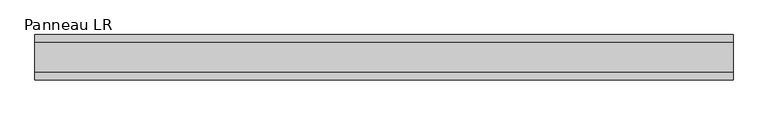
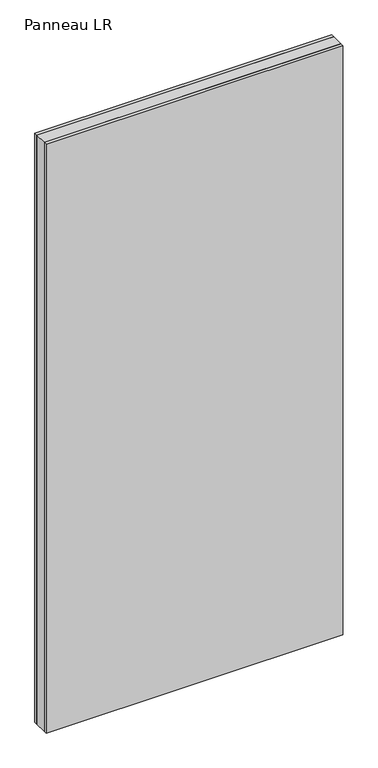
"""IFC4 building model written with IfcOpenShell, lengths in millimetres: plate geometry, Panneau LR."""

from ifc_helpers import new_model, si_unit, origin, origin_with_axes, place, context, project, spatial, polyline, outline, extrude, source, transform, mapped, element, save


def panneau_lr_e50d5251(model_context):
    return source(origin(), model_context, "Body", "SweptSolid", [
        extrude(outline(polyline([(693.378037, 29.0), (693.378037, -29.0), (-693.378037, -29.0), (-693.378037, 29.0), (693.378037, 29.0)])), origin_with_axes(), (0.0, 0.0, 1.0), 2910.0),
        extrude(outline(polyline([(693.378037, 45.0), (693.378037, 29.0), (-693.378037, 29.0), (-693.378037, 45.0), (693.378037, 45.0)])), origin_with_axes(), (0.0, 0.0, 1.0), 2910.0),
        extrude(outline(polyline([(-693.378037, -45.0), (-693.378037, -29.0), (693.378037, -29.0), (693.378037, -45.0), (-693.378037, -45.0)])), origin_with_axes(), (0.0, 0.0, 1.0), 2910.0),
    ])


if __name__ == "__main__":
    model = new_model("IFC4")
    model_context = context("Model", 3, world=origin())
    ifc_project = project(units=[si_unit("LENGTHUNIT", "METRE", prefix="MILLI")], contexts=[model_context])
    site = spatial("IfcSite", under=ifc_project)
    building = spatial("IfcBuilding", under=site)
    placement = place(None, origin())
    panneau_lr_shape = panneau_lr_e50d5251(model_context)
    element("IfcPlate", 1, ObjectType="Panneau LR", at=placement, inside=building, context=model_context, shape_type="MappedRepresentation", body=[
        mapped(panneau_lr_shape, transform((0.0, 0.0, 0.0), x_axis=(1.0, 0.0, 0.0), y_axis=(0.0, 1.0, 0.0), z_axis=(0.0, 0.0, 1.0))),
    ])
    save(model, "model.ifc")
